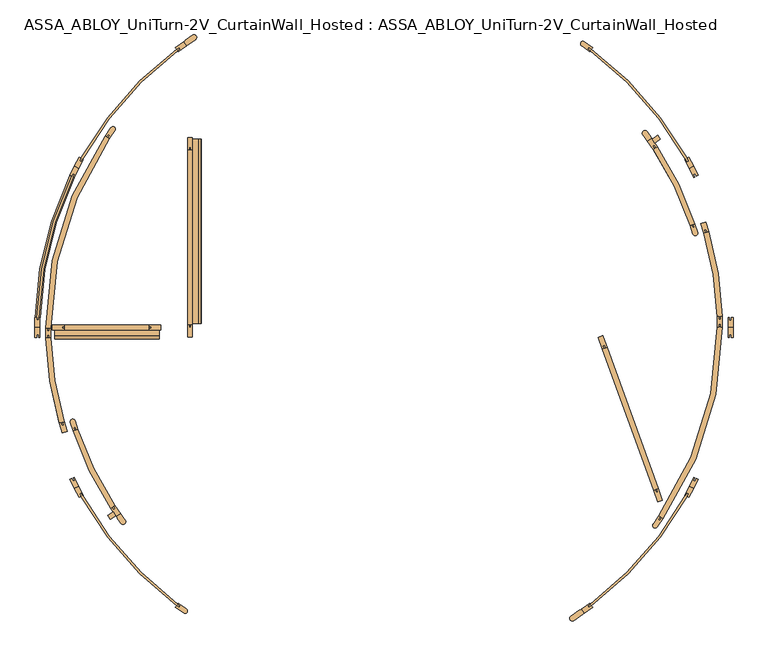
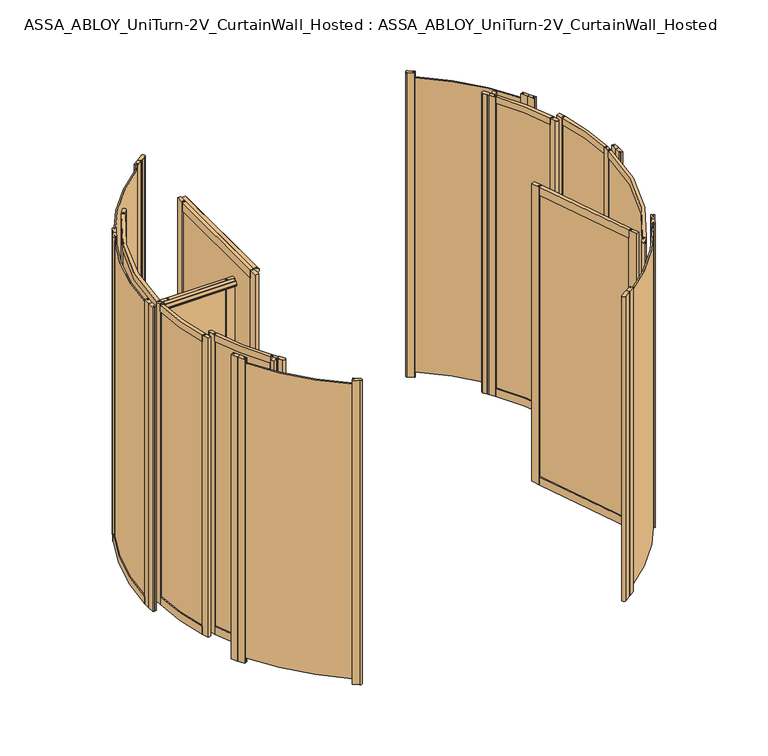
"""IFC4 building model written with IfcOpenShell, lengths in millimetres: door geometry, ASSA_ABLOY_UniTurn-2V_CurtainWall_Hosted : ASSA_ABLOY_UniTurn-2V_CurtainWall_Hosted."""

from ifc_helpers import new_model, si_unit, point, frame, frame_2d, origin, origin_with_axes, origin_2d, place, context, project, spatial, polyline, circle_curve, trimmed, segment, composite_curve, outline, extrude, source, transform, mapped, element, save
from ifc_brep_helpers import plane_surface, cylinder_surface, revolved_surface, advanced_brep


def assa_abloy_uniturn_2v_curtainwall_hosted_assa_abloy_uniturn_ee7364f6(model_context):
    return source(origin(), model_context, "Body", "SolidModel", [
        advanced_brep(
        [(-1825.2306704, 53.0, 56.0), (-1825.2306704, 53.0, 0.0), (-1799.2416247, 52.245345, 0.0), (-1799.2416247, 52.245345, 56.0), (-1804.2395181, 52.390471, 56.0), (-1804.2395181, 52.390471, 41.0), (-1814.2353049, 52.6807229, 41.0), (-1814.2353049, 52.6807229, 56.0), (-1643.4720542, 795.7861567, 56.0), (-1633.5716201, 790.9922642, 56.0), (-1633.5716201, 790.9922642, 41.0), (-1624.5712255, 786.6341801, 41.0), (-1624.5712255, 786.6341801, 56.0), (-1620.0710282, 784.4551381, 56.0), (-1620.0710282, 784.4551381, 0.0), (-1643.4720542, 795.7861567, 0.0)],
        [
            (0, 1),
            (1, 2),
            (2, 3),
            (3, 4),
            (4, 5),
            (5, 6),
            (6, 7),
            (7, 0),
            (8, 9),
            (9, 10),
            (10, 11),
            (11, 12),
            (12, 13),
            (13, 14),
            (14, 15),
            (15, 8),
            (15, 1, circle_curve(frame((0.0, 0.0, 0.0), z_axis=(0.0, 0.0, 1.0), x_axis=(-0.9995786803689732, 0.029025191675892625, 0.0)), 1826.0)),
            (0, 8, circle_curve(frame((0.0, 0.0, 56.0), z_axis=(0.0, 0.0, -1.0), x_axis=(-0.9995786803689732, 0.029025191675892625, 0.0)), 1826.0)),
            (14, 2, circle_curve(frame((0.0, 0.0, 0.0), z_axis=(0.0, 0.0, 1.0), x_axis=(-0.9995786803689732, 0.029025191675892625, 0.0)), 1800.0)),
            (13, 3, circle_curve(frame((0.0, 0.0, 56.0), z_axis=(0.0, 0.0, 1.0), x_axis=(-0.9995786803689732, 0.029025191675892625, 0.0)), 1800.0)),
            (12, 4, circle_curve(frame((0.0, 0.0, 56.0), z_axis=(0.0, 0.0, 1.0), x_axis=(-0.9995786803689732, 0.029025191675892625, 0.0)), 1805.0)),
            (11, 5, circle_curve(frame((0.0, 0.0, 41.0), z_axis=(0.0, 0.0, 1.0), x_axis=(-0.9995786803689732, 0.029025191675892625, 0.0)), 1805.0)),
            (10, 6, circle_curve(frame((0.0, 0.0, 41.0), z_axis=(0.0, 0.0, 1.0), x_axis=(-0.9995786803689732, 0.029025191675892625, 0.0)), 1815.0)),
            (9, 7, circle_curve(frame((0.0, 0.0, 56.0), z_axis=(0.0, 0.0, 1.0), x_axis=(-0.9995786803689732, 0.029025191675892625, 0.0)), 1815.0)),
        ],
        [
            plane_surface(frame((-1825.2306704, 53.0, 0.0), z_axis=(-0.02902519167589263, -0.9995786803689732, 0.0), x_axis=(0.0, 0.0, 1.0))),
            plane_surface(frame((-1643.4720542, 795.7861567, 0.0), z_axis=(0.43580841002827103, 0.9000394601064059, 0.0), x_axis=(0.0, 0.0, 1.0))),
            cylinder_surface(frame((0.0, 0.0, 0.0), z_axis=(0.0, 0.0, -1.0000000000000002), x_axis=(-0.9995786803689732, 0.029025191675892625, 0.0)), 1826.0),
            plane_surface(frame((0.0, 0.0, 0.0), z_axis=(0.0, 0.0, -1.0000000000000002), x_axis=(-0.9995786803689732, 0.029025191675892625, 0.0))),
            revolved_surface(polyline([(-1799.241624664152, 52.24534501660673, 0.0), (-1799.241624664152, 52.24534501660673, 56.00000000000003)]), (0.0, 0.0, 0.0), (0.0, 0.0, -1.0000000000000002)),
            plane_surface(frame((0.0, 0.0, 56.0), z_axis=(0.0, 0.0, 1.0000000000000002), x_axis=(-0.9995786803689732, 0.029025191675892625, 0.0))),
            cylinder_surface(frame((0.0, 0.0, 0.0), z_axis=(0.0, 0.0, -1.0000000000000002), x_axis=(-0.9995786803689732, 0.029025191675892625, 0.0)), 1805.0),
            plane_surface(frame((0.0, 0.0, 41.0), z_axis=(0.0, 0.0, 1.0000000000000002), x_axis=(-0.9995786803689732, 0.029025191675892625, 0.0))),
            revolved_surface(polyline([(-1814.2353048696864, 52.68072289174511, 41.000000000000014), (-1814.2353048696864, 52.68072289174511, 56.00000000000003)]), (0.0, 0.0, 0.0), (0.0, 0.0, -1.0000000000000002)),
        ],
        [
            (0, [[1, 2, 3, 4, 5, 6, 7, 8]]),
            (1, [[9, 10, 11, 12, 13, 14, 15, 16]]),
            (2, [[17, -1, 18, -16]]),
            (3, [[19, -2, -17, -15]]),
            (4, [[20, -3, -19, -14]]),
            (5, [[21, -4, -20, -13]]),
            (6, [[22, -5, -21, -12]]),
            (7, [[23, -6, -22, -11]]),
            (8, [[24, -7, -23, -10]]),
            (5, [[-18, -8, -24, -9]]),
        ],
    ),
        extrude(outline(composite_curve([segment(polyline([(-1032.4375854, 1474.4736797), (-1047.3505728, 1495.7716329), (-1038.9952219, 1501.6221125), (-1039.5687984, 1502.4412646), (-1002.0516347, 1528.7110654)]), True, "CONTINUOUS"), segment(trimmed(circle_curve(frame_2d((-994.0215646, 1517.2429367)), 14.0), [point((-1002.0516347, 1528.7110654))], [point((-985.9914945, 1505.7748081))], False, "CARTESIAN"), True, "CONTINUOUS"), segment(polyline([(-985.9914945, 1505.7748081), (-1023.5086581, 1479.5050073), (-1024.0822346, 1480.3241594), (-1032.4375854, 1474.4736797)]), True, "CONTINUOUS")], self_intersect=False)), origin_with_axes(), (0.0, 0.0, 1.0), 2500.0),
        extrude(outline(composite_curve([segment(polyline([(1047.3505728, -1495.7716329), (1038.9952219, -1501.6221125), (1039.5687984, -1502.4412646), (993.6962839, -1534.561545)]), True, "CONTINUOUS"), segment(trimmed(circle_curve(frame_2d((985.6662138, -1523.0934164)), 14.0), [point((993.6962839, -1534.561545))], [point((977.6361437, -1511.6252878))], False, "CARTESIAN"), True, "CONTINUOUS"), segment(polyline([(977.6361437, -1511.6252878), (1023.5086581, -1479.5050073), (1024.0822346, -1480.3241594), (1032.4375854, -1474.4736797), (1047.3505728, -1495.7716329)]), True, "CONTINUOUS")], self_intersect=False)), origin_with_axes(), (0.0, 0.0, 1.0), 2500.0),
        extrude(outline(composite_curve([segment(polyline([(1576.7592796, -880.5601708), (1584.1472574, -866.3679974), (1593.0173657, -870.9854836), (1585.6293879, -885.1776569)]), True, "CONTINUOUS"), segment(trimmed(circle_curve(origin_2d(), 1815.9735791), [point((1585.6293879, -885.1776569))], [point((1084.5710056, -1456.5252397))], False, "CARTESIAN"), True, "CONTINUOUS"), segment(polyline([(1084.5710056, -1456.5252397), (1071.4645729, -1465.7024626), (1065.7288085, -1457.5109422), (1078.8352412, -1448.3337192)]), True, "CONTINUOUS"), segment(trimmed(circle_curve(origin_2d(), 1805.9778625), [point((1078.8352412, -1448.3337192))], [point((1576.7592796, -880.5601708))], True, "CARTESIAN"), True, "CONTINUOUS")], self_intersect=False)), frame((0.0, 0.0, 41.0), z_axis=(0.0, 0.0, 1.0), x_axis=(1.0, 0.0, 0.0)), (0.0, 0.0, 1.0), 2421.0),
        extrude(outline(composite_curve([segment(trimmed(circle_curve(origin_2d(), 1815.9651017), [point((1084.3324154, 1456.6923023))], [point((1585.763879, 884.9193018))], False, "CARTESIAN"), True, "CONTINUOUS"), segment(polyline([(1585.763879, 884.9193018), (1593.0173657, 870.9854836), (1584.1472574, 866.3679974), (1576.7592796, 880.5601708)]), True, "CONTINUOUS"), segment(trimmed(circle_curve(origin_2d(), 1805.9778625), [point((1576.7592796, 880.5601708))], [point((1078.8352412, 1448.3337192))], True, "CARTESIAN"), True, "CONTINUOUS"), segment(polyline([(1078.8352412, 1448.3337192), (1065.7288085, 1457.5109422), (1071.4645729, 1465.7024626), (1084.3324154, 1456.6923023)]), True, "CONTINUOUS")], self_intersect=False)), frame((0.0, 0.0, 41.0), z_axis=(0.0, 0.0, 1.0), x_axis=(1.0, 0.0, 0.0)), (0.0, 0.0, 1.0), 2421.0),
        extrude(outline(polyline([(1047.3505728, -1495.7716329), (1032.4375854, -1474.4736797), (1075.8526438, -1444.0741286), (1078.8352412, -1448.3337192), (1065.7288085, -1457.5109422), (1071.4645729, -1465.7024626), (1084.5710056, -1456.5252397), (1090.7656311, -1465.3720817), (1047.3505728, -1495.7716329)])), origin_with_axes(), (0.0, 0.0, 1.0), 2500.0),
        extrude(outline(polyline([(1619.6817814, -843.1529678), (1595.2091049, -890.1645419), (1585.6293879, -885.1776569), (1593.0173657, -870.9854836), (1584.1472574, -866.3679974), (1576.7592796, -880.5601708), (1572.1468232, -878.159078), (1596.6194997, -831.1475038), (1619.6817814, -843.1529678)])), origin_with_axes(), (0.0, 0.0, 1.0), 2500.0),
        extrude(outline(polyline([(1619.6817814, -843.1529678), (1596.6194997, -831.1475038), (1621.0921762, -784.1359297), (1625.7046326, -786.5370225), (1618.3166547, -800.7291958), (1627.1867631, -805.3466819), (1634.5747409, -791.1545086), (1644.1544579, -796.1413936), (1619.6817814, -843.1529678)])), origin_with_axes(), (0.0, 0.0, 1.0), 2500.0),
        extrude(outline(composite_curve([segment(polyline([(1090.7656311, 1465.3720817), (1084.5710056, 1456.5252397), (1071.4645729, 1465.7024626), (1065.7288085, 1457.5109422), (1078.8352412, 1448.3337192), (1075.8526438, 1444.0741286), (1033.4205679, 1473.785388)]), True, "CONTINUOUS"), segment(trimmed(circle_curve(frame_2d((1040.8770616, 1484.4343646)), 13.0), [point((1033.4205679, 1473.785388))], [point((1048.3335552, 1495.0833411))], False, "CARTESIAN"), True, "CONTINUOUS"), segment(polyline([(1048.3335552, 1495.0833411), (1090.7656311, 1465.3720817)]), True, "CONTINUOUS")], self_intersect=False)), origin_with_axes(), (0.0, 0.0, 1.0), 2500.0),
        extrude(outline(polyline([(1619.6817814, 843.1529678), (1644.1544579, 796.1413936), (1634.5747409, 791.1545086), (1627.1867631, 805.3466819), (1618.3166547, 800.7291958), (1625.7046326, 786.5370225), (1621.0921762, 784.1359297), (1596.6194997, 831.1475038), (1619.6817814, 843.1529678)])), origin_with_axes(), (0.0, 0.0, 1.0), 2500.0),
        extrude(outline(polyline([(1619.6817814, 843.1529678), (1596.6194997, 831.1475038), (1572.1468232, 878.159078), (1576.7592796, 880.5601708), (1584.1472574, 866.3679974), (1593.0173657, 870.9854836), (1585.6293879, 885.1776569), (1595.2091049, 890.1645419), (1619.6817814, 843.1529678)])), origin_with_axes(), (0.0, 0.0, 1.0), 2500.0),
        extrude(outline(polyline([(1826.0, 0.0), (1826.0, -53.0), (1815.2, -53.0), (1815.2, -37.0), (1805.2, -37.0), (1805.2, -53.0), (1800.0, -53.0), (1800.0, 0.0), (1826.0, 0.0)])), origin_with_axes(), (0.0, 0.0, 1.0), 2500.0),
        extrude(outline(polyline([(1826.0, 0.0), (1800.0, 0.0), (1800.0, 53.0), (1805.2, 53.0), (1805.2, 37.0), (1815.2, 37.0), (1815.2, 53.0), (1826.0, 53.0), (1826.0, 0.0)])), origin_with_axes(), (0.0, 0.0, 1.0), 2500.0),
        extrude(outline(composite_curve([segment(polyline([(-1078.8352412, -1448.3337192), (-1066.5479606, -1456.9373658), (-1072.2837249, -1465.1288862), (-1084.5710056, -1456.5252397)]), True, "CONTINUOUS"), segment(trimmed(circle_curve(origin_2d(), 1815.9735791), [point((-1084.5710056, -1456.5252397))], [point((-1585.6293879, -885.1776569))], False, "CARTESIAN"), True, "CONTINUOUS"), segment(polyline([(-1585.6293879, -885.1776569), (-1592.5556171, -871.8724944), (-1583.6855088, -867.2550083), (-1576.7592795, -880.5601708)]), True, "CONTINUOUS"), segment(trimmed(circle_curve(origin_2d(), 1805.9778625), [point((-1576.7592795, -880.5601708))], [point((-1078.8352412, -1448.3337192))], True, "CARTESIAN"), True, "CONTINUOUS")], self_intersect=False)), frame((0.0, 0.0, 41.0), z_axis=(0.0, 0.0, 1.0), x_axis=(1.0, 0.0, 0.0)), (0.0, 0.0, 1.0), 2421.0),
        extrude(outline(composite_curve([segment(trimmed(circle_curve(origin_2d(), 1805.9778625), [point((-1078.8352412, 1448.3337192))], [point((-1576.7592796, 880.5601708))], True, "CARTESIAN"), True, "CONTINUOUS"), segment(polyline([(-1576.7592796, 880.5601708), (-1583.6855088, 867.2550083), (-1592.5556171, 871.8724944), (-1585.6293879, 885.1776569)]), True, "CONTINUOUS"), segment(trimmed(circle_curve(origin_2d(), 1815.9735791), [point((-1585.6293879, 885.1776569))], [point((-1084.5710056, 1456.5252397))], False, "CARTESIAN"), True, "CONTINUOUS"), segment(polyline([(-1084.5710056, 1456.5252397), (-1072.2837249, 1465.1288862), (-1066.5479606, 1456.9373658), (-1078.8352412, 1448.3337192)]), True, "CONTINUOUS")], self_intersect=False)), frame((0.0, 0.0, 41.0), z_axis=(0.0, 0.0, 1.0), x_axis=(1.0, 0.0, 0.0)), (0.0, 0.0, 1.0), 2421.0),
        extrude(outline(composite_curve([segment(trimmed(circle_curve(origin_2d(), 1805.9778625), [point((-1625.7046326, 786.5370225))], [point((-1805.2, 53.0))], True, "CARTESIAN"), True, "CONTINUOUS"), segment(polyline([(-1805.2, 53.0), (-1805.2, 38.0), (-1815.2, 38.0), (-1815.2, 53.0)]), True, "CONTINUOUS"), segment(trimmed(circle_curve(origin_2d(), 1815.9735791), [point((-1815.2, 53.0))], [point((-1634.5747409, 791.1545086))], False, "CARTESIAN"), True, "CONTINUOUS"), segment(polyline([(-1634.5747409, 791.1545086), (-1627.6485117, 804.4596711), (-1618.7784034, 799.842185), (-1625.7046326, 786.5370225)]), True, "CONTINUOUS")], self_intersect=False)), frame((0.0, 0.0, 41.0), z_axis=(0.0, 0.0, 1.0), x_axis=(1.0, 0.0, 0.0)), (0.0, 0.0, 1.0), 2421.0),
        extrude(outline(polyline([(-1619.6773084, -843.1615602), (-1596.6150268, -831.1560963), (-1572.1468232, -878.159078), (-1576.7592796, -880.5601708), (-1583.6855088, -867.2550083), (-1592.5556171, -871.8724944), (-1585.6293879, -885.1776569), (-1595.2091049, -890.1645419), (-1619.6773084, -843.1615602)])), origin_with_axes(), (0.0, 0.0, 1.0), 2500.0),
        extrude(outline(polyline([(-1619.6817814, -843.1529678), (-1644.1544579, -796.1413936), (-1634.5747409, -791.1545086), (-1627.6485117, -804.4596711), (-1618.7784034, -799.842185), (-1625.7046326, -786.5370225), (-1621.0921762, -784.1359297), (-1596.6194997, -831.1475038), (-1619.6817814, -843.1529678)])), origin_with_axes(), (0.0, 0.0, 1.0), 2500.0),
        extrude(outline(composite_curve([segment(polyline([(-1090.7656311, -1465.3720817), (-1084.5710056, -1456.5252397), (-1072.2837249, -1465.1288862), (-1066.5479606, -1456.9373658), (-1078.8352412, -1448.3337192), (-1075.8526438, -1444.0741286), (-1033.4205679, -1473.785388)]), True, "CONTINUOUS"), segment(trimmed(circle_curve(frame_2d((-1040.8770616, -1484.4343646)), 13.0), [point((-1033.4205679, -1473.785388))], [point((-1048.3335552, -1495.0833411))], False, "CARTESIAN"), True, "CONTINUOUS"), segment(polyline([(-1048.3335552, -1495.0833411), (-1090.7656311, -1465.3720817)]), True, "CONTINUOUS")], self_intersect=False)), origin_with_axes(), (0.0, 0.0, 1.0), 2500.0),
        extrude(outline(polyline([(-1047.3505728, 1495.7716329), (-1032.4375854, 1474.4736797), (-1075.8526438, 1444.0741286), (-1078.8352412, 1448.3337192), (-1066.5479606, 1456.9373658), (-1072.2837249, 1465.1288862), (-1084.5710056, 1456.5252397), (-1090.7656311, 1465.3720817), (-1047.3505728, 1495.7716329)])), origin_with_axes(), (0.0, 0.0, 1.0), 2500.0),
        extrude(outline(polyline([(-1619.6817814, 843.1529678), (-1596.6194997, 831.1475038), (-1621.0921762, 784.1359297), (-1625.7046326, 786.5370225), (-1618.7784034, 799.842185), (-1627.6485117, 804.4596711), (-1634.5747409, 791.1545086), (-1644.1544579, 796.1413936), (-1619.6817814, 843.1529678)])), origin_with_axes(), (0.0, 0.0, 1.0), 2500.0),
        extrude(outline(polyline([(-1619.6817814, 843.1529678), (-1595.2091049, 890.1645419), (-1585.6293879, 885.1776569), (-1592.5556171, 871.8724944), (-1583.6855088, 867.2550083), (-1576.7592796, 880.5601708), (-1572.1468232, 878.159078), (-1596.6194997, 831.1475038), (-1619.6817814, 843.1529678)])), origin_with_axes(), (0.0, 0.0, 1.0), 2500.0),
        extrude(outline(polyline([(-1826.0, 0.0), (-1800.0, 0.0), (-1800.0, -53.0), (-1805.2, -53.0), (-1805.2, -38.0), (-1815.2, -38.0), (-1815.2, -53.0), (-1826.0, -53.0), (-1826.0, 0.0)])), origin_with_axes(), (0.0, 0.0, 1.0), 2500.0),
        extrude(outline(polyline([(-1825.8261964, 0.0), (-1825.8261964, 53.0), (-1815.2, 53.0), (-1815.2, 38.0), (-1805.2, 38.0), (-1805.2, 53.0), (-1800.0, 53.0), (-1800.0, 0.0), (-1825.8261964, 0.0)])), origin_with_axes(), (0.0, 0.0, 1.0), 2500.0),
        extrude(outline(composite_curve([segment(trimmed(circle_curve(origin_2d(), 1770.0), [point((-1769.997187, -3.1556429))], [point((-1458.8407002, 1002.3391699))], False, "CARTESIAN"), True, "CONTINUOUS"), segment(polyline([(-1458.8407002, 1002.3391699), (-1437.4114018, 987.6155436)]), True, "CONTINUOUS"), segment(trimmed(circle_curve(origin_2d(), 1744.0), [point((-1437.4114018, 987.6155436))], [point((-1743.9972283, -3.1092888))], True, "CARTESIAN"), True, "CONTINUOUS"), segment(polyline([(-1743.9972283, -3.1092888), (-1769.997187, -3.1556429)]), True, "CONTINUOUS")], self_intersect=False)), frame((0.0, 0.0, 2447.0), z_axis=(0.0, 0.0, 1.0), x_axis=(1.0, 0.0, 0.0)), (0.0, 0.0, 1.0), 53.0),
        extrude(outline(composite_curve([segment(trimmed(circle_curve(origin_2d(), 1770.0), [point((-1697.6176373, -500.9933707))], [point((-1769.109205, -56.1482036))], False, "CARTESIAN"), True, "CONTINUOUS"), segment(polyline([(-1769.109205, -56.1482036), (-1743.1222901, -55.3234277)]), True, "CONTINUOUS"), segment(trimmed(circle_curve(origin_2d(), 1744.0), [point((-1743.1222901, -55.3234277))], [point((-1672.6808811, -493.634146))], True, "CARTESIAN"), True, "CONTINUOUS"), segment(polyline([(-1672.6808811, -493.634146), (-1697.6176373, -500.9933707)]), True, "CONTINUOUS")], self_intersect=False)), frame((0.0, 0.0, 2447.0), z_axis=(0.0, 0.0, 1.0), x_axis=(1.0, 0.0, 0.0)), (0.0, 0.0, 1.0), 53.0),
        extrude(outline(composite_curve([segment(trimmed(circle_curve(origin_2d(), 1714.18), [point((-1429.3608285, -946.2244419))], [point((-1626.3005929, -541.8112716))], False, "CARTESIAN"), True, "CONTINUOUS"), segment(polyline([(-1626.3005929, -541.8112716), (-1601.6335127, -533.5932939)]), True, "CONTINUOUS"), segment(trimmed(circle_curve(origin_2d(), 1688.18), [point((-1601.6335127, -533.5932939))], [point((-1407.6808523, -931.8724861))], True, "CARTESIAN"), True, "CONTINUOUS"), segment(polyline([(-1407.6808523, -931.8724861), (-1429.3608285, -946.2244419)]), True, "CONTINUOUS")], self_intersect=False)), frame((0.0, 0.0, 2447.0), z_axis=(0.0, 0.0, 1.0), x_axis=(1.0, 0.0, 0.0)), (0.0, 0.0, 1.0), 53.0),
        extrude(outline(polyline([(-1402.2698299, -985.8486568), (-1431.1522531, -1005.6174613), (-1445.8376507, -984.161947), (-1416.9552275, -964.3931425), (-1402.2698299, -985.8486568)])), frame((0.0, 0.0, 40.0), z_axis=(0.0, 0.0, 1.0), x_axis=(1.0, 0.0, 0.0)), (0.0, 0.0, 1.0), 2460.0),
        extrude(outline(composite_curve([segment(polyline([(-1377.9902006, -975.2893197), (-1372.2835329, -983.6268189), (-1371.4583208, -983.0619959), (-1353.2729762, -1009.6309681)]), True, "CONTINUOUS"), segment(trimmed(circle_curve(frame_2d((-1365.4124924, -1016.6815389)), 14.0384615), [point((-1353.2729762, -1009.6309681))], [point((-1376.3789148, -1025.4460117))], False, "CARTESIAN"), True, "CONTINUOUS"), segment(polyline([(-1376.3789148, -1025.4460117), (-1394.5662149, -998.8741824), (-1393.7410028, -998.3093594), (-1399.445715, -989.9747173), (-1377.9902006, -975.2893197)]), True, "CONTINUOUS")], self_intersect=False)), frame((0.0, 0.0, 40.0), z_axis=(0.0, 0.0, 1.0), x_axis=(1.0, 0.0, 0.0)), (0.0, 0.0, 1.0), 2460.0),
        extrude(outline(polyline([(-1399.445715, -989.9747173), (-1429.3813332, -946.2384765), (-1422.7796364, -941.7198926), (-1414.3072917, -954.098074), (-1406.0551708, -948.4498441), (-1414.5275155, -936.0716627), (-1407.9258188, -931.5530789), (-1377.9902006, -975.2893197), (-1399.445715, -989.9747173)])), frame((0.0, 0.0, 40.0), z_axis=(0.0, 0.0, 1.0), x_axis=(1.0, 0.0, 0.0)), (0.0, 0.0, 1.0), 2460.0),
        extrude(outline(composite_curve([segment(polyline([(-1626.3242854, -541.81876), (-1640.4887481, -497.0039411)]), True, "CONTINUOUS"), segment(trimmed(circle_curve(frame_2d((-1628.0931599, -493.086111)), 13.0), [point((-1640.4887481, -497.0039411))], [point((-1615.6975716, -489.1682809))], False, "CARTESIAN"), True, "CONTINUOUS"), segment(polyline([(-1615.6975716, -489.1682809), (-1601.533109, -533.9830998), (-1609.1611632, -536.3940722), (-1613.6817364, -522.0914704), (-1623.2168043, -525.1051859), (-1618.6962311, -539.4077877), (-1626.3242854, -541.81876)]), True, "CONTINUOUS")], self_intersect=False)), frame((0.0, 0.0, 40.0), z_axis=(0.0, 0.0, 1.0), x_axis=(1.0, 0.0, 0.0)), (0.0, 0.0, 1.0), 2460.0),
        extrude(outline(polyline([(-1697.6415731, -501.0008258), (-1690.0034867, -498.6218268), (-1685.5428636, -512.9432388), (-1675.9952556, -509.9694901), (-1680.4558787, -495.6480781), (-1672.8177923, -493.2690791), (-1657.056924, -543.8714015), (-1681.8807048, -551.6031482), (-1697.6415731, -501.0008258)])), frame((0.0, 0.0, 40.0), z_axis=(0.0, 0.0, 1.0), x_axis=(1.0, 0.0, 0.0)), (0.0, 0.0, 1.0), 2460.0),
        extrude(outline(composite_curve([segment(polyline([(-1458.8611481, 1002.3536746), (-1428.7755279, 1044.7665907)]), True, "CONTINUOUS"), segment(trimmed(circle_curve(frame_2d((-1418.1722989, 1037.2451857)), 13.0), [point((-1428.7755279, 1044.7665907))], [point((-1407.5690698, 1029.7237807))], False, "CARTESIAN"), True, "CONTINUOUS"), segment(polyline([(-1407.5690698, 1029.7237807), (-1437.65469, 987.3108645), (-1444.179754, 991.9394214), (-1435.5012097, 1004.1739165), (-1443.6575398, 1009.9596127), (-1452.336084, 997.7251176), (-1458.8611481, 1002.3536746)]), True, "CONTINUOUS")], self_intersect=False)), frame((0.0, 0.0, 40.0), z_axis=(0.0, 0.0, 1.0), x_axis=(1.0, 0.0, 0.0)), (0.0, 0.0, 1.0), 2460.0),
        extrude(outline(polyline([(-1769.1342714, -56.1486236), (-1770.0222534, -3.1560629), (-1762.0233763, -3.0220279), (-1761.7720607, -18.0199224), (-1751.7734643, -17.8523786), (-1752.02478, -2.8544841), (-1744.0259029, -2.7204491), (-1743.1379209, -55.7130098), (-1751.136798, -55.8470448), (-1751.3881136, -40.8491503), (-1761.38671, -41.016694), (-1761.1353943, -56.0145886), (-1769.1342714, -56.1486236)])), frame((0.0, 0.0, 40.0), z_axis=(0.0, 0.0, 1.0), x_axis=(1.0, 0.0, 0.0)), (0.0, 0.0, 1.0), 2460.0),
        extrude(outline(composite_curve([segment(trimmed(circle_curve(origin_2d(), 1706.18), [point((-1414.3938312, -954.2223444))], [point((-1623.3679996, -525.0966867))], False, "CARTESIAN"), True, "CONTINUOUS"), segment(polyline([(-1623.3679996, -525.0966867), (-1613.8533645, -522.0190707)]), True, "CONTINUOUS"), segment(trimmed(circle_curve(origin_2d(), 1696.18), [point((-1613.8533645, -522.0190707))], [point((-1406.1040035, -948.6296031))], True, "CARTESIAN"), True, "CONTINUOUS"), segment(polyline([(-1406.1040035, -948.6296031), (-1414.3938312, -954.2223444)]), True, "CONTINUOUS")], self_intersect=False)), frame((0.0, 0.0, 105.0), z_axis=(0.0, 0.0, 1.0), x_axis=(1.0, 0.0, 0.0)), (0.0, 0.0, 1.0), 2342.0),
        extrude(outline(composite_curve([segment(trimmed(circle_curve(origin_2d(), 1762.0), [point((-1685.6573752, -513.0333455))], [point((-1761.5236883, -40.9670046))], False, "CARTESIAN"), True, "CONTINUOUS"), segment(polyline([(-1761.5236883, -40.9670046), (-1751.5263916, -40.7345018)]), True, "CONTINUOUS"), segment(trimmed(circle_curve(origin_2d(), 1752.0), [point((-1751.5263916, -40.7345018))], [point((-1676.0906477, -510.121692))], True, "CARTESIAN"), True, "CONTINUOUS"), segment(polyline([(-1676.0906477, -510.121692), (-1685.6573752, -513.0333455)]), True, "CONTINUOUS")], self_intersect=False)), frame((0.0, 0.0, 105.0), z_axis=(0.0, 0.0, 1.0), x_axis=(1.0, 0.0, 0.0)), (0.0, 0.0, 1.0), 2342.0),
        extrude(outline(composite_curve([segment(trimmed(circle_curve(origin_2d(), 1762.0), [point((-1761.9072973, -18.0741732))], [point((-1443.7384966, 1010.0807659))], False, "CARTESIAN"), True, "CONTINUOUS"), segment(polyline([(-1443.7384966, 1010.0807659), (-1435.544748, 1004.3481849)]), True, "CONTINUOUS"), segment(trimmed(circle_curve(origin_2d(), 1752.0), [point((-1435.544748, 1004.3481849))], [point((-1751.9078234, -17.9715956))], True, "CARTESIAN"), True, "CONTINUOUS"), segment(polyline([(-1751.9078234, -17.9715956), (-1761.9072973, -18.0741732)]), True, "CONTINUOUS")], self_intersect=False)), frame((0.0, 0.0, 105.0), z_axis=(0.0, 0.0, 1.0), x_axis=(1.0, 0.0, 0.0)), (0.0, 0.0, 1.0), 2342.0),
        extrude(outline(composite_curve([segment(trimmed(circle_curve(origin_2d(), 1770.0), [point((-1769.997187, -3.1556429))], [point((-1458.8407002, 1002.3391699))], False, "CARTESIAN"), True, "CONTINUOUS"), segment(polyline([(-1458.8407002, 1002.3391699), (-1437.4114018, 987.6155436)]), True, "CONTINUOUS"), segment(trimmed(circle_curve(origin_2d(), 1744.0), [point((-1437.4114018, 987.6155436))], [point((-1743.9972283, -3.1092888))], True, "CARTESIAN"), True, "CONTINUOUS"), segment(polyline([(-1743.9972283, -3.1092888), (-1769.997187, -3.1556429)]), True, "CONTINUOUS")], self_intersect=False)), frame((0.0, 0.0, 40.0), z_axis=(0.0, 0.0, 1.0), x_axis=(1.0, 0.0, 0.0)), (0.0, 0.0, 1.0), 65.0),
        extrude(outline(composite_curve([segment(trimmed(circle_curve(origin_2d(), 1770.0), [point((-1697.6176373, -500.9933707))], [point((-1769.109205, -56.1482036))], False, "CARTESIAN"), True, "CONTINUOUS"), segment(polyline([(-1769.109205, -56.1482036), (-1743.1222901, -55.3234277)]), True, "CONTINUOUS"), segment(trimmed(circle_curve(origin_2d(), 1744.0), [point((-1743.1222901, -55.3234277))], [point((-1672.6808811, -493.634146))], True, "CARTESIAN"), True, "CONTINUOUS"), segment(polyline([(-1672.6808811, -493.634146), (-1697.6176373, -500.9933707)]), True, "CONTINUOUS")], self_intersect=False)), frame((0.0, 0.0, 40.0), z_axis=(0.0, 0.0, 1.0), x_axis=(1.0, 0.0, 0.0)), (0.0, 0.0, 1.0), 65.0),
        extrude(outline(composite_curve([segment(trimmed(circle_curve(origin_2d(), 1714.2740759), [point((-1429.4384703, -946.2775845))], [point((-1626.3903056, -541.8396268))], False, "CARTESIAN"), True, "CONTINUOUS"), segment(polyline([(-1626.3903056, -541.8396268), (-1601.7232185, -533.62167)]), True, "CONTINUOUS"), segment(trimmed(circle_curve(origin_2d(), 1688.2740759), [point((-1601.7232185, -533.62167))], [point((-1407.7585064, -931.9256103))], True, "CARTESIAN"), True, "CONTINUOUS"), segment(polyline([(-1407.7585064, -931.9256103), (-1429.4384703, -946.2775845)]), True, "CONTINUOUS")], self_intersect=False)), frame((0.0, 0.0, 40.0), z_axis=(0.0, 0.0, 1.0), x_axis=(1.0, 0.0, 0.0)), (0.0, 0.0, 1.0), 65.0),
        extrude(outline(polyline([(1402.2698299, 985.8486568), (1431.1522531, 1005.6174613), (1445.8376507, 984.161947), (1416.9552275, 964.3931425), (1402.2698299, 985.8486568)])), frame((0.0, 0.0, 40.0), z_axis=(0.0, 0.0, 1.0), x_axis=(1.0, 0.0, 0.0)), (0.0, 0.0, 1.0), 2460.0),
        extrude(outline(composite_curve([segment(polyline([(1377.9902006, 975.2893197), (1372.2835329, 983.6268189), (1371.4583208, 983.0619959), (1353.2729762, 1009.6309681)]), True, "CONTINUOUS"), segment(trimmed(circle_curve(frame_2d((1365.4124924, 1016.6815389)), 14.0384615), [point((1353.2729762, 1009.6309681))], [point((1376.3789148, 1025.4460117))], False, "CARTESIAN"), True, "CONTINUOUS"), segment(polyline([(1376.3789148, 1025.4460117), (1394.5662149, 998.8741824), (1393.7410028, 998.3093594), (1399.445715, 989.9747173), (1377.9902006, 975.2893197)]), True, "CONTINUOUS")], self_intersect=False)), frame((0.0, 0.0, 40.0), z_axis=(0.0, 0.0, 1.0), x_axis=(1.0, 0.0, 0.0)), (0.0, 0.0, 1.0), 2460.0),
        extrude(outline(polyline([(1399.445715, 989.9747173), (1429.3813332, 946.2384765), (1422.7796364, 941.7198926), (1414.3072917, 954.098074), (1406.0551708, 948.4498441), (1414.5275155, 936.0716627), (1407.9258188, 931.5530789), (1377.9902006, 975.2893197), (1399.445715, 989.9747173)])), frame((0.0, 0.0, 40.0), z_axis=(0.0, 0.0, 1.0), x_axis=(1.0, 0.0, 0.0)), (0.0, 0.0, 1.0), 2460.0),
        extrude(outline(composite_curve([segment(polyline([(1626.3242854, 541.81876), (1640.4887481, 497.0039411)]), True, "CONTINUOUS"), segment(trimmed(circle_curve(frame_2d((1628.0931599, 493.086111)), 13.0), [point((1640.4887481, 497.0039411))], [point((1615.6975716, 489.1682809))], False, "CARTESIAN"), True, "CONTINUOUS"), segment(polyline([(1615.6975716, 489.1682809), (1601.533109, 533.9830998), (1609.1611632, 536.3940722), (1613.6817364, 522.0914704), (1623.2168043, 525.1051859), (1618.6962311, 539.4077877), (1626.3242854, 541.81876)]), True, "CONTINUOUS")], self_intersect=False)), frame((0.0, 0.0, 40.0), z_axis=(0.0, 0.0, 1.0), x_axis=(1.0, 0.0, 0.0)), (0.0, 0.0, 1.0), 2460.0),
        extrude(outline(polyline([(1697.6415731, 501.0008258), (1690.0034867, 498.6218268), (1685.5428636, 512.9432388), (1675.9952556, 509.9694901), (1680.4558787, 495.6480781), (1672.8177923, 493.2690791), (1657.056924, 543.8714015), (1681.8807048, 551.6031482), (1697.6415731, 501.0008258)])), frame((0.0, 0.0, 40.0), z_axis=(0.0, 0.0, 1.0), x_axis=(1.0, 0.0, 0.0)), (0.0, 0.0, 1.0), 2460.0),
        extrude(outline(composite_curve([segment(polyline([(1458.8611481, -1002.3536746), (1428.7755279, -1044.7665907)]), True, "CONTINUOUS"), segment(trimmed(circle_curve(frame_2d((1418.1722989, -1037.2451857)), 13.0), [point((1428.7755279, -1044.7665907))], [point((1407.5690698, -1029.7237807))], False, "CARTESIAN"), True, "CONTINUOUS"), segment(polyline([(1407.5690698, -1029.7237807), (1437.65469, -987.3108645), (1444.179754, -991.9394214), (1435.5012097, -1004.1739165), (1443.6575398, -1009.9596127), (1452.336084, -997.7251176), (1458.8611481, -1002.3536746)]), True, "CONTINUOUS")], self_intersect=False)), frame((0.0, 0.0, 40.0), z_axis=(0.0, 0.0, 1.0), x_axis=(1.0, 0.0, 0.0)), (0.0, 0.0, 1.0), 2460.0),
        extrude(outline(polyline([(1769.1342714, 56.1486236), (1770.0222534, 3.1560629), (1762.0233763, 3.0220279), (1761.7720607, 18.0199224), (1751.7734643, 17.8523786), (1752.02478, 2.8544841), (1744.0259029, 2.7204491), (1743.1379209, 55.7130098), (1751.136798, 55.8470448), (1751.3881136, 40.8491503), (1761.38671, 41.016694), (1761.1353943, 56.0145886), (1769.1342714, 56.1486236)])), frame((0.0, 0.0, 40.0), z_axis=(0.0, 0.0, 1.0), x_axis=(1.0, 0.0, 0.0)), (0.0, 0.0, 1.0), 2460.0),
        extrude(outline(composite_curve([segment(trimmed(circle_curve(origin_2d(), 1706.18), [point((1414.3938312, 954.2223444))], [point((1623.3679996, 525.0966867))], False, "CARTESIAN"), True, "CONTINUOUS"), segment(polyline([(1623.3679996, 525.0966867), (1613.8533645, 522.0190707)]), True, "CONTINUOUS"), segment(trimmed(circle_curve(origin_2d(), 1696.18), [point((1613.8533645, 522.0190707))], [point((1406.1040035, 948.6296031))], True, "CARTESIAN"), True, "CONTINUOUS"), segment(polyline([(1406.1040035, 948.6296031), (1414.3938312, 954.2223444)]), True, "CONTINUOUS")], self_intersect=False)), frame((0.0, 0.0, 105.0), z_axis=(0.0, 0.0, 1.0), x_axis=(1.0, 0.0, 0.0)), (0.0, 0.0, 1.0), 2342.0),
        extrude(outline(composite_curve([segment(trimmed(circle_curve(origin_2d(), 1762.0), [point((1685.6573752, 513.0333455))], [point((1761.5236883, 40.9670046))], False, "CARTESIAN"), True, "CONTINUOUS"), segment(polyline([(1761.5236883, 40.9670046), (1751.5263916, 40.7345018)]), True, "CONTINUOUS"), segment(trimmed(circle_curve(origin_2d(), 1752.0), [point((1751.5263916, 40.7345018))], [point((1676.0906477, 510.121692))], True, "CARTESIAN"), True, "CONTINUOUS"), segment(polyline([(1676.0906477, 510.121692), (1685.6573752, 513.0333455)]), True, "CONTINUOUS")], self_intersect=False)), frame((0.0, 0.0, 105.0), z_axis=(0.0, 0.0, 1.0), x_axis=(1.0, 0.0, 0.0)), (0.0, 0.0, 1.0), 2342.0),
        extrude(outline(composite_curve([segment(trimmed(circle_curve(origin_2d(), 1762.0), [point((1761.9072973, 18.0741732))], [point((1443.7384966, -1010.0807659))], False, "CARTESIAN"), True, "CONTINUOUS"), segment(polyline([(1443.7384966, -1010.0807659), (1435.544748, -1004.3481849)]), True, "CONTINUOUS"), segment(trimmed(circle_curve(origin_2d(), 1752.0), [point((1435.544748, -1004.3481849))], [point((1751.9078234, 17.9715956))], True, "CARTESIAN"), True, "CONTINUOUS"), segment(polyline([(1751.9078234, 17.9715956), (1761.9072973, 18.0741732)]), True, "CONTINUOUS")], self_intersect=False)), frame((0.0, 0.0, 105.0), z_axis=(0.0, 0.0, 1.0), x_axis=(1.0, 0.0, 0.0)), (0.0, 0.0, 1.0), 2342.0),
        extrude(outline(composite_curve([segment(trimmed(circle_curve(origin_2d(), 1770.0), [point((1769.997187, 3.1556429))], [point((1458.8407002, -1002.3391699))], False, "CARTESIAN"), True, "CONTINUOUS"), segment(polyline([(1458.8407002, -1002.3391699), (1437.4114018, -987.6155436)]), True, "CONTINUOUS"), segment(trimmed(circle_curve(origin_2d(), 1744.0), [point((1437.4114018, -987.6155436))], [point((1743.9972283, 3.1092888))], True, "CARTESIAN"), True, "CONTINUOUS"), segment(polyline([(1743.9972283, 3.1092888), (1769.997187, 3.1556429)]), True, "CONTINUOUS")], self_intersect=False)), frame((0.0, 0.0, 2447.0), z_axis=(0.0, 0.0, 1.0), x_axis=(1.0, 0.0, 0.0)), (0.0, 0.0, 1.0), 53.0),
        extrude(outline(composite_curve([segment(trimmed(circle_curve(origin_2d(), 1770.0), [point((1697.6176373, 500.9933707))], [point((1769.109205, 56.1482036))], False, "CARTESIAN"), True, "CONTINUOUS"), segment(polyline([(1769.109205, 56.1482036), (1743.1222901, 55.3234277)]), True, "CONTINUOUS"), segment(trimmed(circle_curve(origin_2d(), 1744.0), [point((1743.1222901, 55.3234277))], [point((1672.6808811, 493.634146))], True, "CARTESIAN"), True, "CONTINUOUS"), segment(polyline([(1672.6808811, 493.634146), (1697.6176373, 500.9933707)]), True, "CONTINUOUS")], self_intersect=False)), frame((0.0, 0.0, 2447.0), z_axis=(0.0, 0.0, 1.0), x_axis=(1.0, 0.0, 0.0)), (0.0, 0.0, 1.0), 53.0),
        extrude(outline(composite_curve([segment(trimmed(circle_curve(origin_2d(), 1714.18), [point((1429.3608285, 946.2244419))], [point((1626.3005929, 541.8112716))], False, "CARTESIAN"), True, "CONTINUOUS"), segment(polyline([(1626.3005929, 541.8112716), (1601.6335127, 533.5932939)]), True, "CONTINUOUS"), segment(trimmed(circle_curve(origin_2d(), 1688.18), [point((1601.6335127, 533.5932939))], [point((1407.6808523, 931.8724861))], True, "CARTESIAN"), True, "CONTINUOUS"), segment(polyline([(1407.6808523, 931.8724861), (1429.3608285, 946.2244419)]), True, "CONTINUOUS")], self_intersect=False)), frame((0.0, 0.0, 2447.0), z_axis=(0.0, 0.0, 1.0), x_axis=(1.0, 0.0, 0.0)), (0.0, 0.0, 1.0), 53.0),
        extrude(outline(composite_curve([segment(trimmed(circle_curve(origin_2d(), 1770.0), [point((1769.997187, 3.1556429))], [point((1458.8407002, -1002.3391699))], False, "CARTESIAN"), True, "CONTINUOUS"), segment(polyline([(1458.8407002, -1002.3391699), (1437.4114018, -987.6155436)]), True, "CONTINUOUS"), segment(trimmed(circle_curve(origin_2d(), 1744.0), [point((1437.4114018, -987.6155436))], [point((1743.9972283, 3.1092888))], True, "CARTESIAN"), True, "CONTINUOUS"), segment(polyline([(1743.9972283, 3.1092888), (1769.997187, 3.1556429)]), True, "CONTINUOUS")], self_intersect=False)), frame((0.0, 0.0, 40.0), z_axis=(0.0, 0.0, 1.0), x_axis=(1.0, 0.0, 0.0)), (0.0, 0.0, 1.0), 65.0),
        extrude(outline(composite_curve([segment(trimmed(circle_curve(origin_2d(), 1770.0), [point((1697.6176373, 500.9933707))], [point((1769.1632704, 54.4180359))], False, "CARTESIAN"), True, "CONTINUOUS"), segment(polyline([(1769.1632704, 54.4180359), (1743.1755614, 53.6186749)]), True, "CONTINUOUS"), segment(trimmed(circle_curve(origin_2d(), 1744.0), [point((1743.1755614, 53.6186749))], [point((1672.6808811, 493.634146))], True, "CARTESIAN"), True, "CONTINUOUS"), segment(polyline([(1672.6808811, 493.634146), (1697.6176373, 500.9933707)]), True, "CONTINUOUS")], self_intersect=False)), frame((0.0, 0.0, 40.0), z_axis=(0.0, 0.0, 1.0), x_axis=(1.0, 0.0, 0.0)), (0.0, 0.0, 1.0), 65.0),
        extrude(outline(composite_curve([segment(trimmed(circle_curve(origin_2d(), 1714.18), [point((1429.3608285, 946.2244419))], [point((1626.3005929, 541.8112716))], False, "CARTESIAN"), True, "CONTINUOUS"), segment(polyline([(1626.3005929, 541.8112716), (1601.6335127, 533.5932939)]), True, "CONTINUOUS"), segment(trimmed(circle_curve(origin_2d(), 1688.18), [point((1601.6335127, 533.5932939))], [point((1407.6808523, 931.8724861))], True, "CARTESIAN"), True, "CONTINUOUS"), segment(polyline([(1407.6808523, 931.8724861), (1429.3608285, 946.2244419)]), True, "CONTINUOUS")], self_intersect=False)), frame((0.0, 0.0, 40.0), z_axis=(0.0, 0.0, 1.0), x_axis=(1.0, 0.0, 0.0)), (0.0, 0.0, 1.0), 65.0),
        extrude(outline(polyline([(-1684.0, 5.0), (-1216.6, 5.0), (-1216.6, -5.0), (-1684.0, -5.0), (-1684.0, 5.0)])), frame((0.0, 0.0, 90.0), z_axis=(0.0, 0.0, 1.0), x_axis=(1.0, 0.0, 0.0)), (0.0, 0.0, 1.0), 2346.0),
        extrude(outline(polyline([(13.0, 2486.0), (13.0, 2421.0), (5.0, 2421.0), (5.0, 2436.0), (-5.0, 2436.0), (-5.0, 2421.0), (-13.0, 2421.0), (-13.0, 2486.0), (13.0, 2486.0)])), frame((-1669.0, 0.0, 0.0), z_axis=(1.0, 0.0, 0.0), x_axis=(0.0, 1.0, 0.0)), (0.0, 0.0, 1.0), 437.4),
        extrude(outline(polyline([(-13.0, 105.0), (-5.0, 105.0), (-5.0, 90.0), (5.0, 90.0), (5.0, 105.0), (13.0, 105.0), (13.0, 40.0), (-13.0, 40.0), (-13.0, 105.0)])), frame((-1669.0, 0.0, 0.0), z_axis=(1.0, 0.0, 0.0), x_axis=(0.0, 1.0, 0.0)), (0.0, 0.0, 1.0), 437.4),
        extrude(outline(polyline([(-1669.0, -13.0), (-1734.0, -13.0), (-1734.0, 13.0), (-1669.0, 13.0), (-1669.0, 5.0), (-1684.0, 5.0), (-1684.0, -5.0), (-1669.0, -5.0), (-1669.0, -13.0)])), frame((0.0, 0.0, 40.0), z_axis=(0.0, 0.0, 1.0), x_axis=(1.0, 0.0, 0.0)), (0.0, 0.0, 1.0), 2446.0),
        extrude(outline(polyline([(-1231.6, -13.0), (-1231.6, -5.0), (-1216.6, -5.0), (-1216.6, 5.0), (-1231.6, 5.0), (-1231.6, 13.0), (-1166.6, 13.0), (-1166.6, -13.0), (-1231.6, -13.0)])), frame((0.0, 0.0, 40.0), z_axis=(0.0, 0.0, 1.0), x_axis=(1.0, 0.0, 0.0)), (0.0, 0.0, 1.0), 2446.0),
        extrude(outline(polyline([(-13.0, 2486.0), (-13.0, 2437.8850542), (-15.9913329, 2437.8850542), (-15.9913329, 2483.0), (-42.9913329, 2483.0), (-42.9913329, 2486.0), (-13.0, 2486.0)])), frame((-1723.0, 0.0, 0.0), z_axis=(1.0, 0.0, 0.0), x_axis=(0.0, 1.0, 0.0)), (0.0, 0.0, 1.0), 547.4),
        extrude(outline(composite_curve([segment(trimmed(circle_curve(frame_2d((-32.8695926, 2455.1662061)), 27.9399487), [point((-59.546092, 2463.4731378))], [point((-35.3028312, 2483.0))], False, "CARTESIAN"), True, "CONTINUOUS"), segment(polyline([(-35.3028312, 2483.0), (-15.9913329, 2483.0), (-15.9913329, 2438.0), (-35.3028312, 2438.0)]), True, "CONTINUOUS"), segment(trimmed(circle_curve(frame_2d((-32.8695926, 2465.8337939)), 27.9399487), [point((-35.3028312, 2438.0))], [point((-57.511364, 2452.6647456))], False, "CARTESIAN"), True, "CONTINUOUS"), segment(trimmed(circle_curve(frame_2d((-32.8695926, 2465.8337939)), 27.9399487), [point((-57.511364, 2452.6647456))], [point((-59.546092, 2457.5268622))], False, "CARTESIAN"), True, "CONTINUOUS"), segment(trimmed(circle_curve(frame_2d((-49.9982937, 2460.5)), 10.0), [point((-59.546092, 2457.5268622))], [point((-59.546092, 2463.4731378))], False, "CARTESIAN"), True, "CONTINUOUS")], self_intersect=False)), frame((-1723.0, 0.0, 0.0), z_axis=(1.0, 0.0, 0.0), x_axis=(0.0, 1.0, 0.0)), (0.0, 0.0, 1.0), 547.4),
        extrude(outline(polyline([(-1019.8, 0.0), (-1019.8, 943.95), (-1009.8, 943.95), (-1009.8, 0.0), (-1019.8, 0.0)])), frame((0.0, 0.0, 90.0), z_axis=(0.0, 0.0, 1.0), x_axis=(1.0, 0.0, 0.0)), (0.0, 0.0, 1.0), 2346.0),
        extrude(outline(polyline([(2486.0, -1027.8), (2421.0, -1027.8), (2421.0, -1019.8), (2436.0, -1019.8), (2436.0, -1009.8), (2421.0, -1009.8), (2421.0, -1001.8), (2486.0, -1001.8), (2486.0, -1027.8)])), frame((0.0, 15.0, 0.0), z_axis=(0.0, 1.0, 0.0), x_axis=(0.0, 0.0, 1.0)), (0.0, 0.0, 1.0), 913.95),
        extrude(outline(polyline([(105.0, -1001.8), (105.0, -1009.8), (90.0, -1009.8), (90.0, -1019.8), (105.0, -1019.8), (105.0, -1027.8), (40.0, -1027.8), (40.0, -1001.8), (105.0, -1001.8)])), frame((0.0, 15.0, 0.0), z_axis=(0.0, 1.0, 0.0), x_axis=(0.0, 0.0, 1.0)), (0.0, 0.0, 1.0), 913.95),
        extrude(outline(polyline([(-1001.8, 15.0), (-1001.8, -50.0), (-1027.8, -50.0), (-1027.8, 15.0), (-1019.8, 15.0), (-1019.8, 0.0), (-1009.8, 0.0), (-1009.8, 15.0), (-1001.8, 15.0)])), frame((0.0, 0.0, 40.0), z_axis=(0.0, 0.0, 1.0), x_axis=(1.0, 0.0, 0.0)), (0.0, 0.0, 1.0), 2446.0),
        extrude(outline(polyline([(-1001.8, 928.95), (-1009.8, 928.95), (-1009.8, 943.95), (-1019.8, 943.95), (-1019.8, 928.95), (-1027.8, 928.95), (-1027.8, 993.95), (-1001.8, 993.95), (-1001.8, 928.95)])), frame((0.0, 0.0, 40.0), z_axis=(0.0, 0.0, 1.0), x_axis=(1.0, 0.0, 0.0)), (0.0, 0.0, 1.0), 2446.0),
        extrude(outline(polyline([(2486.0, -1001.8), (2437.8850542, -1001.8), (2437.8850542, -998.8086671), (2483.0, -998.8086671), (2483.0, -971.8086671), (2486.0, -971.8086671), (2486.0, -1001.8)])), frame((0.0, 20.27, 0.0), z_axis=(0.0, 1.0, 0.0), x_axis=(0.0, 0.0, 1.0)), (0.0, 0.0, 1.0), 964.68),
        extrude(outline(composite_curve([segment(trimmed(circle_curve(frame_2d((2455.1662061, -981.9304074)), 27.9399487), [point((2463.4731378, -955.253908))], [point((2483.0, -979.4971688))], False, "CARTESIAN"), True, "CONTINUOUS"), segment(polyline([(2483.0, -979.4971688), (2483.0, -998.8086671), (2438.0, -998.8086671), (2438.0, -979.4971688)]), True, "CONTINUOUS"), segment(trimmed(circle_curve(frame_2d((2465.8337939, -981.9304074)), 27.9399487), [point((2438.0, -979.4971688))], [point((2452.6647456, -957.288636))], False, "CARTESIAN"), True, "CONTINUOUS"), segment(trimmed(circle_curve(frame_2d((2465.8337939, -981.9304074)), 27.9399487), [point((2452.6647456, -957.288636))], [point((2457.5268622, -955.253908))], False, "CARTESIAN"), True, "CONTINUOUS"), segment(trimmed(circle_curve(frame_2d((2460.5, -964.8017063)), 10.0), [point((2457.5268622, -955.253908))], [point((2463.4731378, -955.253908))], False, "CARTESIAN"), True, "CONTINUOUS")], self_intersect=False)), frame((0.0, 20.27, 0.0), z_axis=(0.0, 1.0, 0.0), x_axis=(0.0, 0.0, 1.0)), (0.0, 0.0, 1.0), 964.68),
        extrude(outline(polyline([(1145.3259997, -96.5821419), (1154.7294749, -93.1799876), (1432.1859526, -860.0632177), (1422.7824774, -863.465372), (1145.3259997, -96.5821419)])), frame((0.0, 0.0, 90.0), z_axis=(0.0, 0.0, 1.0), x_axis=(1.0, 0.0, 0.0)), (0.0, 0.0, 1.0), 2346.0),
        extrude(outline(polyline([(26.0000001, 0.0), (26.0000001, -65.0), (18.0, -65.0), (18.0, -50.0), (8.0, -50.0), (8.0, -65.0), (0.0, -65.0), (0.0, 0.0), (26.0000001, 0.0)])), frame((1434.6055013, -843.2362814, 2486.0), z_axis=(-0.3402154337922676, 0.9403475201272875, 0.0), x_axis=(-0.9403475201272875, -0.3402154337922676, 0.0)), (0.0, 0.0, 1.0), 785.5317195),
        extrude(outline(polyline([(65.0, 0.0), (65.0, -8.0), (50.0, -8.0), (50.0, -18.0), (65.0, -18.0), (65.0, -26.0000001), (0.0, -26.0000001), (0.0, 0.0), (65.0, 0.0)])), frame((1434.6055013, -843.2362814, 40.0), z_axis=(-0.3402154337922676, 0.9403475201272875, 0.0), x_axis=(0.0, 0.0, 1.0)), (0.0, 0.0, 1.0), 785.5317195),
        extrude(outline(polyline([(1167.3554865, -104.5634769), (1159.8327064, -107.2852004), (1154.7294749, -93.1799876), (1145.3259997, -96.5821419), (1150.4292312, -110.6873548), (1142.906451, -113.4090782), (1120.7924478, -52.2864894), (1145.2414833, -43.4408881), (1167.3554865, -104.5634769)])), frame((0.0, 0.0, 40.0), z_axis=(0.0, 0.0, 1.0), x_axis=(1.0, 0.0, 0.0)), (0.0, 0.0, 1.0), 2446.0),
        extrude(outline(polyline([(1434.6055013, -843.2362814), (1456.7195045, -904.3588702), (1432.2704689, -913.2044715), (1410.1564657, -852.0818827), (1417.6792459, -849.3601592), (1422.7824774, -863.465372), (1432.1859526, -860.0632177), (1427.0827211, -845.9580049), (1434.6055013, -843.2362814)])), frame((0.0, 0.0, 40.0), z_axis=(0.0, 0.0, 1.0), x_axis=(1.0, 0.0, 0.0)), (0.0, 0.0, 1.0), 2446.0),
    ])


if __name__ == "__main__":
    model = new_model("IFC4")
    model_context = context("Model", 3, world=origin())
    ifc_project = project(units=[si_unit("LENGTHUNIT", "METRE", prefix="MILLI")], contexts=[model_context])
    site = spatial("IfcSite", under=ifc_project)
    building = spatial("IfcBuilding", under=site)
    placement = place(None, origin())
    assa_abloy_uniturn_2v_curtainwall_hosted_assa_abloy_uniturn_shape = assa_abloy_uniturn_2v_curtainwall_hosted_assa_abloy_uniturn_ee7364f6(model_context)
    element("IfcDoor", 1, ObjectType="ASSA_ABLOY_UniTurn-2V_CurtainWall_Hosted : ASSA_ABLOY_UniTurn-2V_CurtainWall_Hosted", at=placement, inside=building, context=model_context, shape_type="MappedRepresentation", body=[
        mapped(assa_abloy_uniturn_2v_curtainwall_hosted_assa_abloy_uniturn_shape, transform((0.0, 0.0, 0.0), x_axis=(1.0, 0.0, 0.0), y_axis=(0.0, 1.0, 0.0), z_axis=(0.0, 0.0, 1.0))),
    ])
    save(model, "model.ifc")
